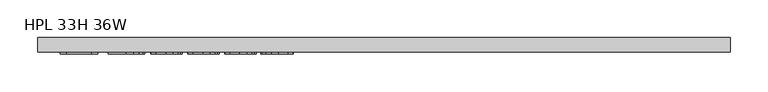
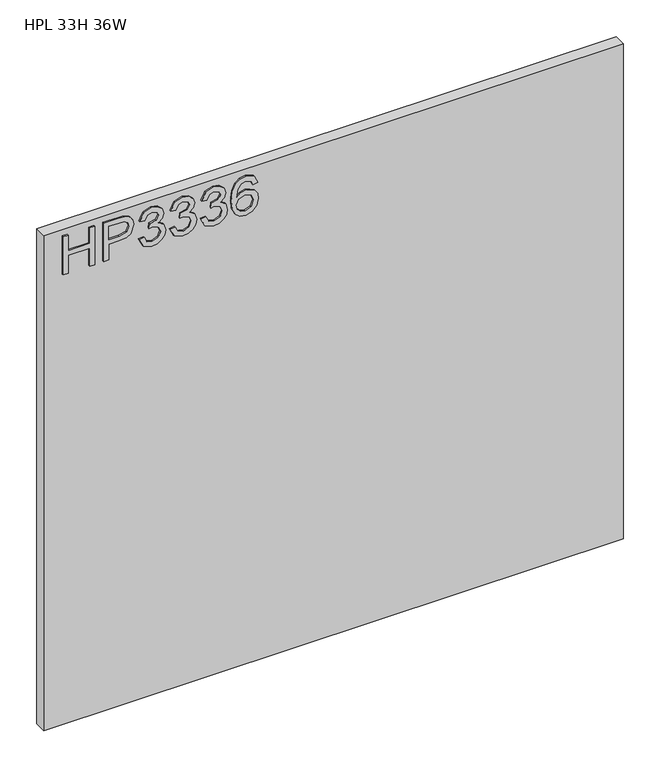
"""IFC4 building model written with IfcOpenShell, lengths in millimetres: furniture geometry, HPL 33H 36W."""

from ifc_helpers import new_model, si_unit, frame, origin, place, context, project, spatial, polyline, outline, extrude, source, transform, mapped, element, save


def hpl_33h_36w_11a85107(model_context):
    return source(origin(), model_context, "Body", "SweptSolid", [
        extrude(outline(polyline([(1766.8772502, 29.4553512), (1766.8772502, 37.4290708), (1796.7786988, 37.4290708), (1796.7786988, 71.3173792), (1766.8772502, 71.3173792), (1766.8772502, 79.2910988), (1830.6670071, 79.2910988), (1830.6670071, 71.3173792), (1804.7524184, 71.3173792), (1804.7524184, 37.4290708), (1830.6670071, 37.4290708), (1830.6670071, 29.4553512), (1766.8772502, 29.4553512)])), frame((0.0, -21.68525, 0.0), z_axis=(0.0, 1.0, 0.0), x_axis=(0.0, 0.0, 1.0)), (0.0, 0.0, 1.0), 2.38125),
        extrude(outline(polyline([(1766.8772502, 93.2451081), (1766.8772502, 101.2188277), (1792.791839, 101.2188277), (1792.791839, 117.4310194), (1794.2012562, 128.7589184), (1798.4295079, 135.9559012), (1812.2122069, 141.0874258), (1820.9101022, 139.1874379), (1827.0772759, 134.164929), (1830.059634, 126.4170276), (1830.6670071, 116.8859409), (1830.6670071, 93.2451081), (1766.8772502, 93.2451081)]), holes=[polyline([(1800.7655586, 101.2188277), (1822.6932875, 101.2188277), (1822.6932875, 117.7113455), (1822.148209, 125.6850651), (1818.5351173, 131.0657684), (1811.9318808, 133.1137062), (1803.6934087, 129.6407775), (1800.7655586, 117.8982295), (1800.7655586, 101.2188277)])]), frame((0.0, -21.68525, 0.0), z_axis=(0.0, 1.0, 0.0), x_axis=(0.0, 0.0, 1.0)), (0.0, 0.0, 1.0), 2.38125),
        extrude(outline(polyline([(1783.8214044, 149.0611454), (1770.8796837, 155.3996296), (1765.8805352, 169.3847863), (1767.3444603, 177.9074778), (1771.7362356, 184.8182943), (1778.2304565, 189.3969537), (1786.0017183, 190.9231734), (1796.3737833, 187.8707339), (1801.8245682, 179.1806254), (1807.1040427, 185.7215673), (1814.4548155, 187.9330286), (1822.4986166, 185.6047647), (1828.4789063, 178.8769388), (1830.6670071, 169.2601969), (1826.2285109, 156.5832286), (1813.722853, 150.0578604), (1812.726138, 158.03158), (1820.2015001, 161.9405715), (1822.6932875, 169.540523), (1820.2248607, 177.0470325), (1813.9876054, 179.959309), (1806.948306, 175.9413018), (1804.7524184, 165.6159578), (1796.7786988, 164.7282586), (1797.6508243, 170.3192065), (1794.3881402, 179.3830831), (1786.1418814, 182.9494538), (1777.3894782, 179.3519358), (1773.8542549, 169.6651123), (1776.4239106, 161.4344271), (1784.8181193, 157.0348651), (1783.8214044, 149.0611454)])), frame((0.0, -21.68525, 0.0), z_axis=(0.0, 1.0, 0.0), x_axis=(0.0, 0.0, 1.0)), (0.0, 0.0, 1.0), 2.38125),
        extrude(outline(polyline([(1783.8214044, 197.9001781), (1770.8796837, 204.2386622), (1765.8805352, 218.2238189), (1767.3444603, 226.7465104), (1771.7362356, 233.657327), (1778.2304565, 238.2359863), (1786.0017183, 239.7622061), (1796.3737833, 236.7097665), (1801.8245682, 228.0196581), (1807.1040427, 234.5605999), (1814.4548155, 236.7720612), (1822.4986166, 234.4437974), (1828.4789063, 227.7159715), (1830.6670071, 218.0992296), (1826.2285109, 205.4222613), (1813.722853, 198.896893), (1812.726138, 206.8706127), (1820.2015001, 210.7796041), (1822.6932875, 218.3795556), (1820.2248607, 225.8860651), (1813.9876054, 228.7983416), (1806.948306, 224.7803345), (1804.7524184, 214.4549905), (1796.7786988, 213.5672913), (1797.6508243, 219.1582392), (1794.3881402, 228.2221158), (1786.1418814, 231.7884865), (1777.3894782, 228.1909684), (1773.8542549, 218.504145), (1776.4239106, 210.2734598), (1784.8181193, 205.8738977), (1783.8214044, 197.9001781)])), frame((0.0, -21.68525, 0.0), z_axis=(0.0, 1.0, 0.0), x_axis=(0.0, 0.0, 1.0)), (0.0, 0.0, 1.0), 2.38125),
        extrude(outline(polyline([(1783.8214044, 246.7392108), (1770.8796837, 253.0776949), (1765.8805352, 267.0628516), (1767.3444603, 275.5855431), (1771.7362356, 282.4963597), (1778.2304565, 287.075019), (1786.0017183, 288.6012388), (1796.3737833, 285.5487992), (1801.8245682, 276.8586907), (1807.1040427, 283.3996326), (1814.4548155, 285.6110939), (1822.4986166, 283.2828301), (1828.4789063, 276.5550041), (1830.6670071, 266.9382622), (1826.2285109, 254.2612939), (1813.722853, 247.7359257), (1812.726138, 255.7096453), (1820.2015001, 259.6186368), (1822.6932875, 267.2185883), (1820.2248607, 274.7250978), (1813.9876054, 277.6373743), (1806.948306, 273.6193671), (1804.7524184, 263.2940232), (1796.7786988, 262.4063239), (1797.6508243, 267.9972718), (1794.3881402, 277.0611484), (1786.1418814, 280.6275191), (1777.3894782, 277.0300011), (1773.8542549, 267.3431777), (1776.4239106, 259.1124925), (1784.8181193, 254.7129304), (1783.8214044, 246.7392108)])), frame((0.0, -21.68525, 0.0), z_axis=(0.0, 1.0, 0.0), x_axis=(0.0, 0.0, 1.0)), (0.0, 0.0, 1.0), 2.38125),
        extrude(outline(polyline([(1813.722853, 336.4435565), (1826.1662162, 330.5567088), (1830.6670071, 317.9576088), (1828.848781, 308.7029548), (1823.3941027, 301.5585331), (1812.5353605, 296.3257796), (1796.6541094, 294.5815285), (1782.5287897, 296.1525225), (1773.044424, 300.8655048), (1767.6715074, 308.0702744), (1765.8805352, 317.1166306), (1768.5825672, 327.5665639), (1776.3694028, 334.808321), (1787.3722014, 337.4402714), (1795.5444853, 336.0425344), (1802.0581733, 331.8493235), (1807.7425632, 318.3002296), (1805.6634781, 309.5867606), (1799.3016335, 302.5552481), (1813.5126084, 304.8212172), (1820.7621523, 310.2642153), (1822.6932875, 317.4592514), (1819.3760956, 325.4485446), (1812.726138, 328.4698368), (1813.722853, 336.4435565)]), holes=[polyline([(1787.4967908, 302.5552481), (1796.3815702, 306.5187474), (1799.7688436, 316.1666367), (1796.3815702, 325.9391153), (1787.107449, 329.4665518), (1777.4206256, 325.8923943), (1773.8542549, 316.4936837), (1775.5751455, 309.3064345), (1780.5898676, 304.4007281), (1787.4967908, 302.5552481)])]), frame((0.0, -21.68525, 0.0), z_axis=(0.0, 1.0, 0.0), x_axis=(0.0, 0.0, 1.0)), (0.0, 0.0, 1.0), 2.38125),
        extrude(outline(polyline([(914.4, 0.0), (914.4, -19.304), (0.0, -19.304), (0.0, 0.0), (914.4, 0.0)])), frame((0.0, 0.0, 1016.0), z_axis=(0.0, 0.0, 1.0), x_axis=(1.0, 0.0, 0.0)), (0.0, 0.0, 1.0), 825.5),
    ])


if __name__ == "__main__":
    model = new_model("IFC4")
    model_context = context("Model", 3, world=origin())
    ifc_project = project(units=[si_unit("LENGTHUNIT", "METRE", prefix="MILLI")], contexts=[model_context])
    site = spatial("IfcSite", under=ifc_project)
    building = spatial("IfcBuilding", under=site)
    placement = place(None, origin())
    hpl_33h_36w_shape = hpl_33h_36w_11a85107(model_context)
    element("IfcFurniture", 1, ObjectType="HPL 33H 36W", at=placement, inside=building, context=model_context, shape_type="MappedRepresentation", body=[
        mapped(hpl_33h_36w_shape, transform((0.0, 0.0, 0.0), x_axis=(1.0, 0.0, 0.0), y_axis=(0.0, 1.0, 0.0), z_axis=(0.0, 0.0, 1.0))),
    ])
    save(model, "model.ifc")
